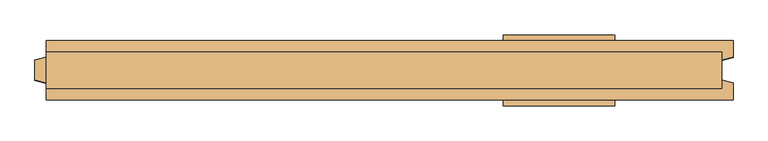
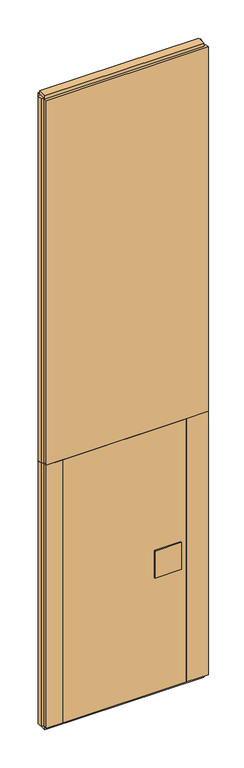
"""IFC4 building model written with IfcOpenShell, lengths in millimetres: door geometry."""

from ifc_helpers import new_model, si_unit, frame, origin, origin_with_axes, place, context, project, spatial, polyline, outline, extrude, source, transform, mapped, element, save


def door_1118c2f8(model_context):
    return source(origin(), model_context, "Body", "SweptSolid", [
        extrude(outline(polyline([(-460.0, -52.5), (-460.0, 52.5), (460.0, 52.5), (460.0, -52.5), (-460.0, -52.5)])), frame((0.0, 0.0, 25.0), z_axis=(0.0, 0.0, 1.0), x_axis=(1.0, 0.0, 0.0)), (0.0, 0.0, 1.0), 2075.0),
        extrude(outline(polyline([(219.7719698, -62.5), (219.7719698, -52.5), (416.7719698, -52.5), (416.7719698, -62.5), (219.7719698, -62.5)])), frame((0.0, 0.0, 934.0), z_axis=(0.0, 0.0, 1.0), x_axis=(1.0, 0.0, 0.0)), (0.0, 0.0, 1.0), 212.0),
        extrude(outline(polyline([(219.7719698, 52.5), (219.7719698, 62.5), (416.7719698, 62.5), (416.7719698, 52.5), (219.7719698, 52.5)])), frame((0.0, 0.0, 934.0), z_axis=(0.0, 0.0, 1.0), x_axis=(1.0, 0.0, 0.0)), (0.0, 0.0, 1.0), 212.0),
        extrude(outline(polyline([(605.0, 32.0), (605.0, -32.0), (-585.0, -32.0), (-585.0, 32.0), (605.0, 32.0)])), origin_with_axes(), (0.0, 0.0, 1.0), 25.0),
        extrude(outline(polyline([(605.0, 32.0), (605.0, -32.0), (-585.0, -32.0), (-585.0, 32.0), (605.0, 32.0)])), frame((0.0, 0.0, 4975.0), z_axis=(0.0, 0.0, 1.0), x_axis=(1.0, 0.0, 0.0)), (0.0, 0.0, 1.0), 25.0),
        extrude(outline(polyline([(625.0, -52.5), (460.0, -52.5), (460.0, 52.5), (625.0, 52.5), (625.0, 23.0), (605.0, 17.6410162), (605.0, -17.6410162), (625.0, -23.0), (625.0, -52.5)])), frame((0.0, 0.0, 25.0), z_axis=(0.0, 0.0, 1.0), x_axis=(1.0, 0.0, 0.0)), (0.0, 0.0, 1.0), 2075.0),
        extrude(outline(polyline([(-585.0, -52.5), (-585.0, -23.0), (-605.0, -17.6410162), (-605.0, 17.6410162), (-585.0, 23.0), (-585.0, 52.5), (-460.0, 52.5), (-460.0, -52.5), (-585.0, -52.5)])), frame((0.0, 0.0, 25.0), z_axis=(0.0, 0.0, 1.0), x_axis=(1.0, 0.0, 0.0)), (0.0, 0.0, 1.0), 2075.0),
        extrude(outline(polyline([(625.0, 52.5), (625.0, 23.0), (605.0, 17.6410162), (605.0, -17.6410162), (625.0, -23.0), (625.0, -52.5), (-585.0, -52.5), (-585.0, -23.0), (-605.0, -17.6410162), (-605.0, 17.6410162), (-585.0, 23.0), (-585.0, 52.5), (625.0, 52.5)])), frame((0.0, 0.0, 2100.0), z_axis=(0.0, 0.0, 1.0), x_axis=(1.0, 0.0, 0.0)), (0.0, 0.0, 1.0), 2875.0),
    ])


if __name__ == "__main__":
    model = new_model("IFC4")
    model_context = context("Model", 3, world=origin())
    ifc_project = project(units=[si_unit("LENGTHUNIT", "METRE", prefix="MILLI")], contexts=[model_context])
    site = spatial("IfcSite", under=ifc_project)
    building = spatial("IfcBuilding", under=site)
    placement = place(None, origin())
    door_shape = door_1118c2f8(model_context)
    element("IfcDoor", 1, at=placement, inside=building, context=model_context, shape_type="MappedRepresentation", body=[
        mapped(door_shape, transform((0.0, 0.0, 0.0), x_axis=(1.0, 0.0, 0.0), y_axis=(0.0, 1.0, 0.0), z_axis=(0.0, 0.0, 1.0))),
    ])
    save(model, "model.ifc")
